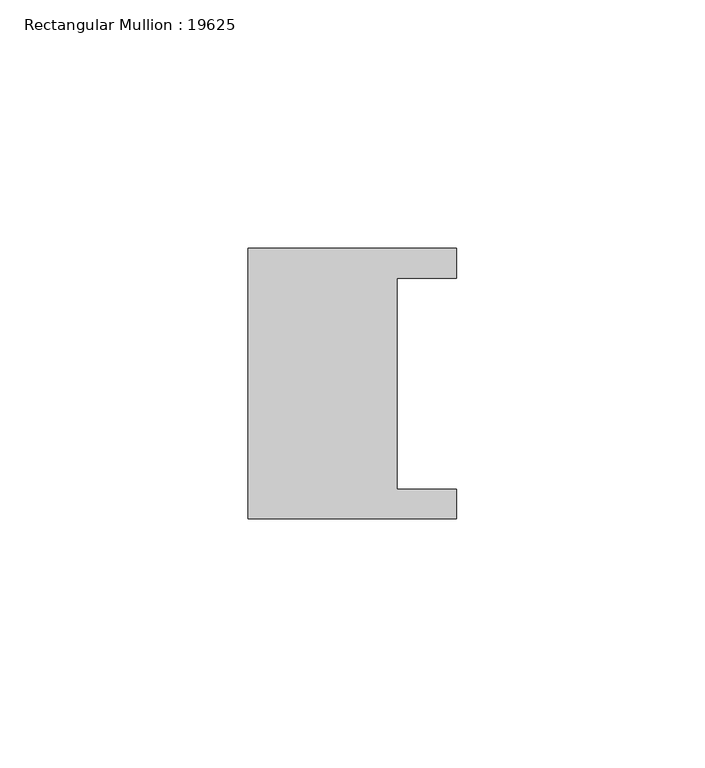
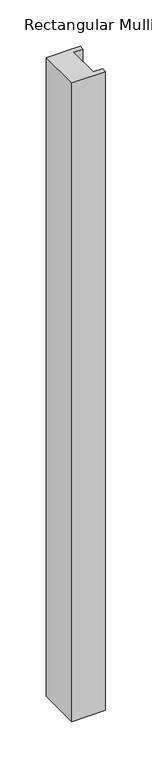
"""IFC4 building model written with IfcOpenShell, lengths in millimetres: member geometry, Rectangular Mullion : 19625."""

from ifc_helpers import new_model, si_unit, frame, origin, place, context, project, spatial, polyline, outline, extrude, source, transform, mapped, element, save


def rectangular_mullion_19625_4c6be2a6(model_context):
    return source(origin(), model_context, "Body", "SweptSolid", [
        extrude(outline(polyline([(-42.0, -27.25), (-42.0, 27.25), (0.0, 27.25), (0.0, 21.25), (-12.0, 21.25), (-12.0, -21.25), (0.0, -21.25), (0.0, -27.25), (-42.0, -27.25)])), frame((0.0, 0.0, -840.0), z_axis=(0.0, 0.0, 1.0), x_axis=(1.0, 0.0, 0.0)), (0.0, 0.0, 1.0), 840.0),
    ])


if __name__ == "__main__":
    model = new_model("IFC4")
    model_context = context("Model", 3, world=origin())
    ifc_project = project(units=[si_unit("LENGTHUNIT", "METRE", prefix="MILLI")], contexts=[model_context])
    site = spatial("IfcSite", under=ifc_project)
    building = spatial("IfcBuilding", under=site)
    placement = place(None, origin())
    rectangular_mullion_19625_shape = rectangular_mullion_19625_4c6be2a6(model_context)
    element("IfcMember", 1, ObjectType="Rectangular Mullion : 19625", at=placement, inside=building, context=model_context, shape_type="MappedRepresentation", body=[
        mapped(rectangular_mullion_19625_shape, transform((0.0, 0.0, 0.0), x_axis=(1.0, 0.0, 0.0), y_axis=(0.0, 1.0, 0.0), z_axis=(0.0, 0.0, 1.0))),
    ])
    save(model, "model.ifc")
